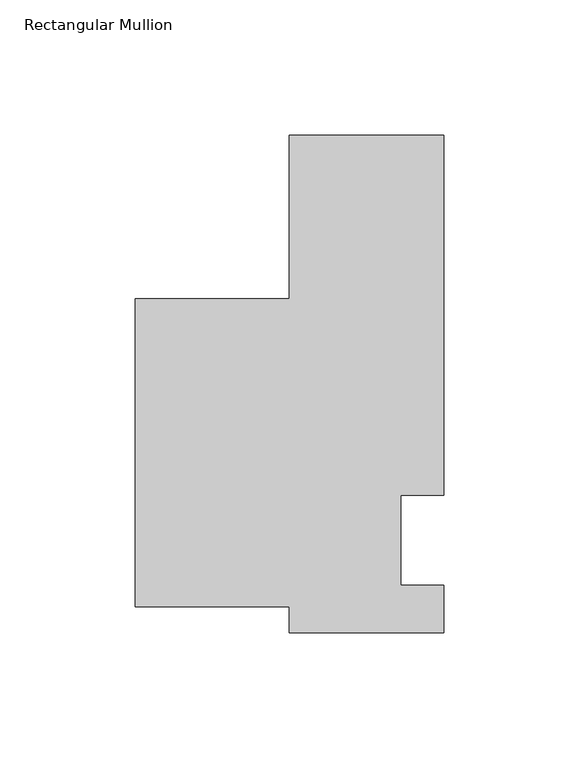
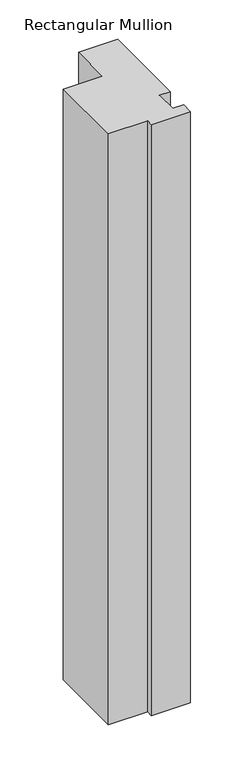
"""IFC4 building model written with IfcOpenShell, lengths in millimetres: member geometry, Rectangular Mullion."""

import ifcopenshell
import ifcopenshell.guid

model = None  # the IFC model being written
_history = None  # IfcOwnerHistory: only IFC2X3 demands one
_inside = {}  # id of a spatial element -> (the spatial element, [elements in it])
_under = {}  # id of a project, library or spatial element -> (it, [spatial elements below it])
_declared = {}  # id of a project -> (the project, [libraries it declares])
_typed = {}  # id of a type object -> (the type object, [elements of that type])
_made_of = {}  # id of a material, layer set ... -> (it, [elements and type objects made of it])


def new_model(schema):
    """Start an empty IFC model of exactly this schema.

    Asked for "IFC4X3", IfcOpenShell would pick the latest addendum, in which some entities
    have other attributes; the version numbers below select the first issue.
    IFC2X3 requires an IfcOwnerHistory on every rooted entity: one is made here for all.
    """
    global model, _history
    if schema == "IFC4X3":
        model = ifcopenshell.file(schema_version=(4, 3, 0, 0))
    else:
        model = ifcopenshell.file(schema=schema)
    _inside.clear()
    _under.clear()
    _declared.clear()
    _typed.clear()
    _made_of.clear()
    _history = None
    if model.schema == "IFC2X3":
        org = make("IfcOrganization", Name="unknown")
        user = make(
            "IfcPersonAndOrganization",
            ThePerson=make("IfcPerson", FamilyName="unknown"),
            TheOrganization=org,
        )
        app = make(
            "IfcApplication",
            ApplicationDeveloper=org,
            Version="unknown",
            ApplicationFullName="unknown",
            ApplicationIdentifier="unknown",
        )
        _history = make(
            "IfcOwnerHistory",
            OwningUser=user,
            OwningApplication=app,
            ChangeAction="ADDED",
            CreationDate=0,
        )
    return model


def make(cls, **values):
    """One entity of the class cls with the attributes given. An attribute that is None is left unset."""
    return model.create_entity(
        cls, **{name: value for name, value in values.items() if value is not None}
    )


def rooted(cls, **values):
    """An entity with a GlobalId (a new one), such as an element, a storey or a relation."""
    return make(cls, GlobalId=ifcopenshell.guid.new(), OwnerHistory=_history, **values)


def si_unit(unit_type, name, prefix=None):
    """IfcSIUnit, for example si_unit("LENGTHUNIT", "METRE", prefix="MILLI")."""
    return make("IfcSIUnit", UnitType=unit_type, Prefix=prefix, Name=name)


def assignment(units):
    """IfcUnitAssignment: the units of a project."""
    return None if units is None else make("IfcUnitAssignment", Units=units)


def point(xyz):
    """IfcCartesianPoint."""
    return None if xyz is None else make("IfcCartesianPoint", Coordinates=xyz)


def direction(xyz):
    """IfcDirection."""
    return None if xyz is None else make("IfcDirection", DirectionRatios=xyz)


def frame(location, z_axis=None, x_axis=None):
    """IfcAxis2Placement3D, a coordinate frame: its origin and axes. An axis left out is left unset."""
    return make(
        "IfcAxis2Placement3D",
        Location=point(location),
        Axis=direction(z_axis),
        RefDirection=direction(x_axis),
    )


def origin():
    """The frame at (0, 0, 0) with its axes left unset."""
    return frame((0.0, 0.0, 0.0))


def place(relative_to, where):
    """IfcLocalPlacement: puts the frame where relative to a parent placement (None: the world)."""
    return make(
        "IfcLocalPlacement", PlacementRelTo=relative_to, RelativePlacement=where
    )


def context(
    kind, dimensions, precision=None, world=None, true_north=None, identifier=None
):
    """IfcGeometricRepresentationContext, for example the 3D "Model" context."""
    return make(
        "IfcGeometricRepresentationContext",
        ContextIdentifier=identifier,
        ContextType=kind,
        CoordinateSpaceDimension=dimensions,
        Precision=precision,
        WorldCoordinateSystem=world,
        TrueNorth=true_north,
    )


def project(units=None, contexts=None):
    """IfcProject with its units and contexts."""
    return rooted(
        "IfcProject",
        Name="project",
        RepresentationContexts=contexts,
        UnitsInContext=assignment(units),
    )


def spatial(cls, under=None, at=None, **own):
    """A site, building, storey or space (cls), placed at a placement, below another one or the project."""
    s = rooted(cls, ObjectPlacement=at, **own)
    if under is not None:
        _under.setdefault(under.id(), (under, []))[1].append(s)
    return s


def polyline(points):
    """IfcPolyline through the points."""
    return make("IfcPolyline", Points=[point(p) for p in points])


def outline(outer, holes=None, kind="AREA"):
    """IfcArbitraryClosedProfileDef: a profile drawn as a closed curve; with holes, ...WithVoids."""
    if holes is None:
        return make("IfcArbitraryClosedProfileDef", ProfileType=kind, OuterCurve=outer)
    return make(
        "IfcArbitraryProfileDefWithVoids",
        ProfileType=kind,
        OuterCurve=outer,
        InnerCurves=holes,
    )


def extrude(swept, where, along, depth):
    """IfcExtrudedAreaSolid: the profile swept, set in the frame where, extruded along a direction by depth."""
    return make(
        "IfcExtrudedAreaSolid",
        SweptArea=swept,
        Position=where,
        ExtrudedDirection=direction(along),
        Depth=depth,
    )


def shape(context_of_items, identifier, shape_type, items):
    """IfcShapeRepresentation: the items that make up one representation, for example the "Body"."""
    return make(
        "IfcShapeRepresentation",
        ContextOfItems=context_of_items,
        RepresentationIdentifier=identifier,
        RepresentationType=shape_type,
        Items=items,
    )


def source(mapping_origin, context_of_items, identifier, shape_type, items):
    """IfcRepresentationMap: a shape defined once, which mapped items show again and again."""
    return make(
        "IfcRepresentationMap",
        MappingOrigin=mapping_origin,
        MappedRepresentation=shape(context_of_items, identifier, shape_type, items),
    )


def transform(
    local_origin,
    x_axis=None,
    y_axis=None,
    z_axis=None,
    scale=None,
    scale2=None,
    scale3=None,
    uniform=True,
):
    """IfcCartesianTransformationOperator3D, or its non-uniform kind. x_axis, y_axis, z_axis: its Axis1, 2, 3."""
    if uniform:
        return make(
            "IfcCartesianTransformationOperator3D",
            Axis1=direction(x_axis),
            Axis2=direction(y_axis),
            LocalOrigin=point(local_origin),
            Scale=scale,
            Axis3=direction(z_axis),
        )
    return make(
        "IfcCartesianTransformationOperator3DnonUniform",
        Axis1=direction(x_axis),
        Axis2=direction(y_axis),
        LocalOrigin=point(local_origin),
        Scale=scale,
        Axis3=direction(z_axis),
        Scale2=scale2,
        Scale3=scale3,
    )


def mapped(mapping_source, mapping_target):
    """IfcMappedItem: shows the shape of a source again, moved by a transform."""
    return make(
        "IfcMappedItem", MappingSource=mapping_source, MappingTarget=mapping_target
    )


def made_of(thing, what):
    """Note that an element or type object is made of a material, layer set ...; save() writes the relation."""
    if what is not None:
        _made_of.setdefault(what.id(), (what, []))[1].append(thing)
    return thing


def element(
    cls,
    number,
    at=None,
    inside=None,
    cuts=None,
    type_object=None,
    material=None,
    context=None,
    identifier="Body",
    shape_type=None,
    held_by="IfcProductDefinitionShape",
    body=None,
    shapes=None,
    **own,
):
    """One element of the class cls, such as IfcWall. Its Tag is "e" and its number.

    at: its placement. inside: the storey or other place that contains it. cuts: it is an
    opening in that element (IfcRelVoidsElement). A single representation is given by context,
    identifier, shape_type and body (its items); several are given by shapes. held_by: the class
    of the entity that holds the representations. save() writes the other relations.
    """
    e = rooted(cls, Tag="e%d" % number, ObjectPlacement=at, **own)
    if body is not None:
        shapes = [shape(context, identifier, shape_type, body)]
    if shapes is not None:
        e.Representation = make(held_by, Representations=shapes)
    if inside is not None:
        _inside.setdefault(inside.id(), (inside, []))[1].append(e)
    if cuts is not None:
        rooted(
            "IfcRelVoidsElement", RelatingBuildingElement=cuts, RelatedOpeningElement=e
        )
    if type_object is not None:
        _typed.setdefault(type_object.id(), (type_object, []))[1].append(e)
    return made_of(e, material)


def aggregate(whole, parts):
    """IfcRelAggregates: a whole, such as a stair, and the parts it consists of."""
    return rooted("IfcRelAggregates", RelatingObject=whole, RelatedObjects=parts)


def save(model, path):
    """Write the relations noted so far, then the file.

    IfcRelAggregates (storeys below a building ...), IfcRelContainedInSpatialStructure (elements
    in a storey), IfcRelDefinesByType, IfcRelAssociatesMaterial and IfcRelDeclares: one each for
    every whole, place, type object, material and project.
    """
    for whole, parts in _under.values():
        aggregate(whole, parts)
    for where, things in _inside.values():
        rooted(
            "IfcRelContainedInSpatialStructure",
            RelatedElements=things,
            RelatingStructure=where,
        )
    for kind, things in _typed.values():
        rooted("IfcRelDefinesByType", RelatedObjects=things, RelatingType=kind)
    for what, things in _made_of.values():
        rooted("IfcRelAssociatesMaterial", RelatedObjects=things, RelatingMaterial=what)
    for by, libraries in _declared.values():
        rooted("IfcRelDeclares", RelatingContext=by, RelatedDefinitions=libraries)
    model.write(path)


def rectangular_mullion_24254e53(model_context):
    return source(origin(), model_context, "Body", "SweptSolid", [
        extrude(outline(polyline([(32.9094027, 150.01875), (32.9094027, 16.66875), (17.0326322, 16.66875), (17.0326322, -16.66875), (32.9094027, -16.66875), (32.9094027, -34.13125), (-24.2405973, -34.13125), (-24.2405973, -24.60625), (-81.3825709, -24.60625), (-81.3825709, 89.5096162), (-24.2405973, 89.5096162), (-24.2405973, 150.01875), (32.9094027, 150.01875)])), frame((0.0, 0.0, -913.2405973), z_axis=(0.0, 0.0, 1.0), x_axis=(1.0, 0.0, 0.0)), (0.0, 0.0, 1.0), 913.2405973),
    ])


if __name__ == "__main__":
    model = new_model("IFC4")
    model_context = context("Model", 3, world=origin())
    ifc_project = project(units=[si_unit("LENGTHUNIT", "METRE", prefix="MILLI")], contexts=[model_context])
    site = spatial("IfcSite", under=ifc_project)
    building = spatial("IfcBuilding", under=site)
    placement = place(None, origin())
    rectangular_mullion_shape = rectangular_mullion_24254e53(model_context)
    element("IfcMember", 1, ObjectType="Rectangular Mullion", at=placement, inside=building, context=model_context, shape_type="MappedRepresentation", body=[
        mapped(rectangular_mullion_shape, transform((0.0, 0.0, 0.0), x_axis=(1.0, 0.0, 0.0), y_axis=(0.0, 1.0, 0.0), z_axis=(0.0, 0.0, 1.0))),
    ])
    save(model, "model.ifc")
